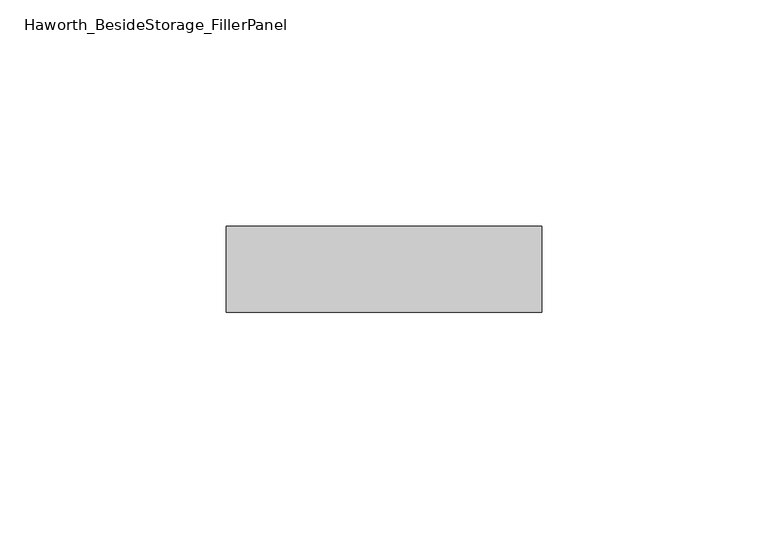
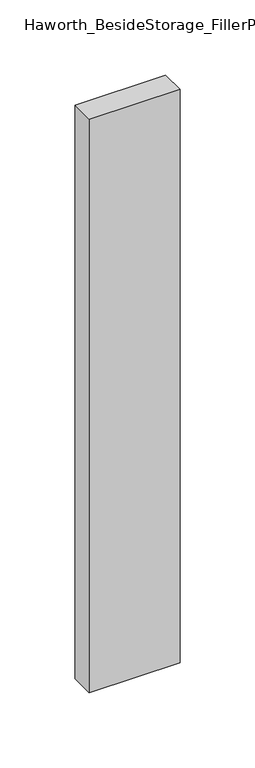
"""IFC4 building model written with IfcOpenShell, lengths in millimetres: furniture geometry, Haworth_BesideStorage_FillerPanel."""

from ifc_helpers import new_model, si_unit, frame, origin, place, context, project, spatial, polyline, outline, extrude, source, transform, mapped, element, save


def haworth_besidestorage_fillerpanel_551ac968(model_context):
    return source(origin(), model_context, "Body", "SweptSolid", [
        extrude(outline(polyline([(336.55, 247.8645843), (336.55, 228.8145843), (266.7, 228.8145843), (266.7, 247.8645843), (336.55, 247.8645843)])), frame((0.0, 0.0, 44.45), z_axis=(0.0, 0.0, 1.0), x_axis=(1.0, 0.0, 0.0)), (0.0, 0.0, 1.0), 466.725),
    ])


if __name__ == "__main__":
    model = new_model("IFC4")
    model_context = context("Model", 3, world=origin())
    ifc_project = project(units=[si_unit("LENGTHUNIT", "METRE", prefix="MILLI")], contexts=[model_context])
    site = spatial("IfcSite", under=ifc_project)
    building = spatial("IfcBuilding", under=site)
    placement = place(None, origin())
    haworth_besidestorage_fillerpanel_shape = haworth_besidestorage_fillerpanel_551ac968(model_context)
    element("IfcFurniture", 1, ObjectType="Haworth_BesideStorage_FillerPanel", at=placement, inside=building, context=model_context, shape_type="MappedRepresentation", body=[
        mapped(haworth_besidestorage_fillerpanel_shape, transform((0.0, 0.0, 0.0), x_axis=(1.0, 0.0, 0.0), y_axis=(0.0, 1.0, 0.0), z_axis=(0.0, 0.0, 1.0))),
    ])
    save(model, "model.ifc")
